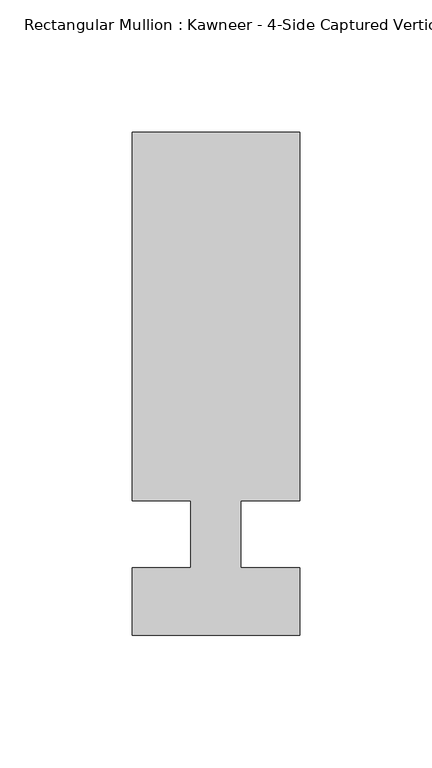
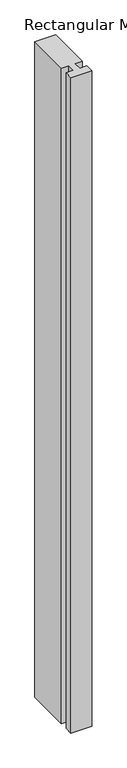
"""IFC4 building model written with IfcOpenShell, lengths in millimetres: member geometry."""

from ifc_helpers import new_model, si_unit, frame, origin, place, context, project, spatial, polyline, outline, extrude, source, transform, mapped, element, save


def member_0715510a(model_context):
    return source(origin(), model_context, "Body", "SweptSolid", [
        extrude(outline(polyline([(-9.5251132, -12.7), (-9.5251132, 12.7), (-31.75, 12.7), (-31.75, 152.399995), (31.75, 152.399995), (31.75, 12.7), (9.5251132, 12.7), (9.5251132, -12.7), (31.75, -12.7), (31.75, -38.1), (-31.75, -38.1), (-31.75, -12.7), (-9.5251132, -12.7)])), frame((0.0, 0.0, -2113.59299), z_axis=(0.0, 0.0, 1.0), x_axis=(1.0, 0.0, 0.0)), (0.0, 0.0, 1.0), 2113.59299),
    ])


if __name__ == "__main__":
    model = new_model("IFC4")
    model_context = context("Model", 3, world=origin())
    ifc_project = project(units=[si_unit("LENGTHUNIT", "METRE", prefix="MILLI")], contexts=[model_context])
    site = spatial("IfcSite", under=ifc_project)
    building = spatial("IfcBuilding", under=site)
    placement = place(None, origin())
    member_shape = member_0715510a(model_context)
    element("IfcMember", 1, ObjectType="Rectangular Mullion : Kawneer - 4-Side Captured Vertical Mullion - 7 1/2\"", at=placement, inside=building, context=model_context, shape_type="MappedRepresentation", body=[
        mapped(member_shape, transform((0.0, 0.0, 0.0), x_axis=(1.0, 0.0, 0.0), y_axis=(0.0, 1.0, 0.0), z_axis=(0.0, 0.0, 1.0))),
    ])
    save(model, "model.ifc")
